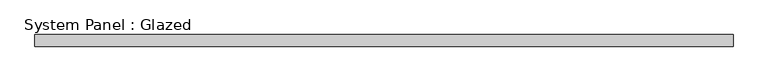
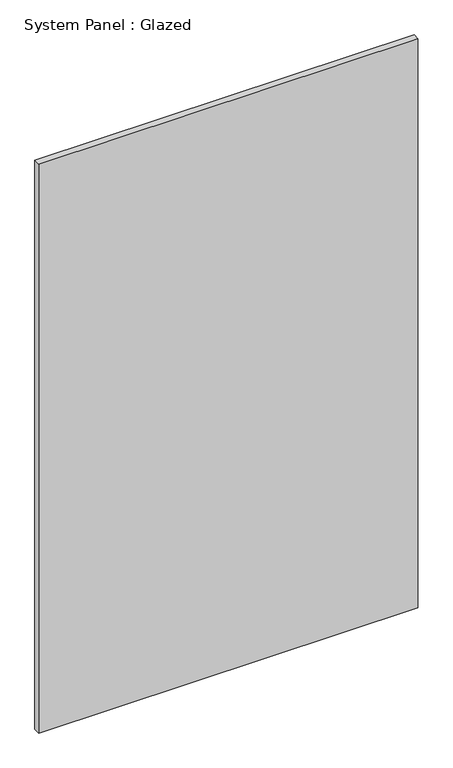
"""IFC4 building model written with IfcOpenShell, lengths in millimetres: plate geometry, System Panel : Glazed."""

from ifc_helpers import new_model, si_unit, origin, origin_with_axes, place, context, project, spatial, polyline, outline, extrude, source, transform, mapped, element, save


def system_panel_glazed_f82fb9b6(model_context):
    return source(origin(), model_context, "Body", "SweptSolid", [
        extrude(outline(polyline([(736.6, 19.05), (-736.6, 19.05), (-736.6, 44.45), (736.6, 44.45), (736.6, 19.05)])), origin_with_axes(), (0.0, 0.0, 1.0), 2336.8),
    ])


if __name__ == "__main__":
    model = new_model("IFC4")
    model_context = context("Model", 3, world=origin())
    ifc_project = project(units=[si_unit("LENGTHUNIT", "METRE", prefix="MILLI")], contexts=[model_context])
    site = spatial("IfcSite", under=ifc_project)
    building = spatial("IfcBuilding", under=site)
    placement = place(None, origin())
    system_panel_glazed_shape = system_panel_glazed_f82fb9b6(model_context)
    element("IfcPlate", 1, ObjectType="System Panel : Glazed", at=placement, inside=building, context=model_context, shape_type="MappedRepresentation", body=[
        mapped(system_panel_glazed_shape, transform((0.0, 0.0, 0.0), x_axis=(1.0, 0.0, 0.0), y_axis=(0.0, 1.0, 0.0), z_axis=(0.0, 0.0, 1.0))),
    ])
    save(model, "model.ifc")
